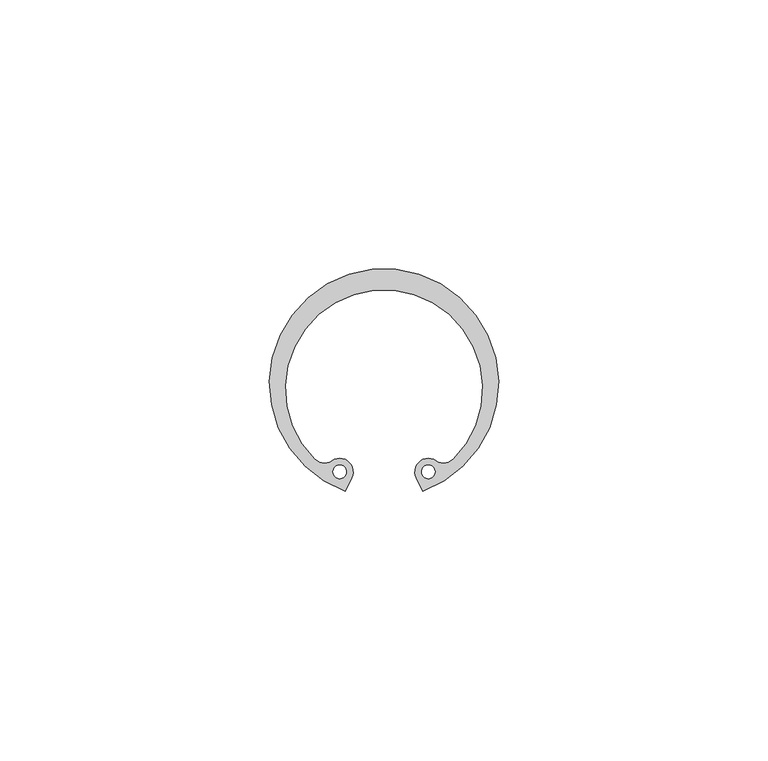
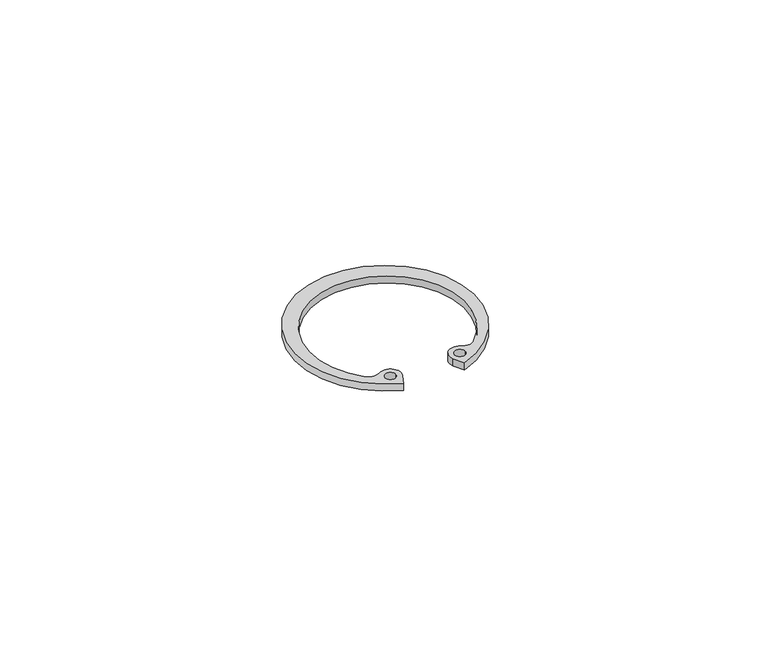
"""IFC4 building model written with IfcOpenShell, lengths in millimetres: proxy geometry."""

from ifc_helpers import new_model, si_unit, point, frame_2d, origin, origin_with_axes, place, context, project, spatial, polyline, circle_curve, trimmed, segment, composite_curve, outline, extrude, source, transform, mapped, element, save


def generic_models_1d7c027c(model_context):
    return source(origin(), model_context, "Body", "SweptSolid", [
        extrude(outline(composite_curve([segment(trimmed(circle_curve(frame_2d((0.0, -19.975)), 18.325), [point((12.8139533, -33.0749322))], [point((-12.8139533, -33.0749322))], True, "CARTESIAN"), True, "CONTINUOUS"), segment(trimmed(circle_curve(frame_2d((-11.0658015, -31.2877655)), 2.5), [point((-12.8139533, -33.0749322))], [point((-9.6458436, -33.3453659))], True, "CARTESIAN"), True, "CONTINUOUS"), segment(trimmed(circle_curve(frame_2d((-8.2258856, -35.4029664)), 2.5), [point((-9.6458436, -33.3453659))], [point((-5.9911491, -36.5236592))], False, "CARTESIAN"), True, "CONTINUOUS"), segment(polyline([(-5.9911491, -36.5236592), (-7.225, -38.9840405)]), True, "CONTINUOUS"), segment(trimmed(circle_curve(frame_2d((0.0, -19.0)), 21.25), [point((-7.225, -38.9840405))], [point((7.225, -38.9840405))], False, "CARTESIAN"), True, "CONTINUOUS"), segment(polyline([(7.225, -38.9840405), (5.9911491, -36.5236592)]), True, "CONTINUOUS"), segment(trimmed(circle_curve(frame_2d((8.2258856, -35.4029664)), 2.5), [point((5.9911491, -36.5236592))], [point((9.6458436, -33.3453659))], False, "CARTESIAN"), True, "CONTINUOUS"), segment(trimmed(circle_curve(frame_2d((11.0658015, -31.2877655)), 2.5), [point((9.6458436, -33.3453659))], [point((12.8139533, -33.0749322))], True, "CARTESIAN"), True, "CONTINUOUS")], self_intersect=False), holes=[composite_curve([segment(trimmed(circle_curve(frame_2d((-8.2258856, -35.4029664)), 1.25), [point((-6.9758856, -35.4029664))], [point((-9.4758856, -35.4029664))], True, "CARTESIAN"), True, "CONTINUOUS"), segment(trimmed(circle_curve(frame_2d((-8.2258856, -35.4029664)), 1.25), [point((-9.4758856, -35.4029664))], [point((-6.9758856, -35.4029664))], True, "CARTESIAN"), True, "CONTINUOUS")], self_intersect=False), composite_curve([segment(trimmed(circle_curve(frame_2d((8.2258856, -35.4029664)), 1.25), [point((9.4758856, -35.4029664))], [point((6.9758856, -35.4029664))], True, "CARTESIAN"), True, "CONTINUOUS"), segment(trimmed(circle_curve(frame_2d((8.2258856, -35.4029664)), 1.25), [point((6.9758856, -35.4029664))], [point((9.4758856, -35.4029664))], True, "CARTESIAN"), True, "CONTINUOUS")], self_intersect=False)]), origin_with_axes(), (0.0, 0.0, 1.0), 1.75),
    ])


if __name__ == "__main__":
    model = new_model("IFC4")
    model_context = context("Model", 3, world=origin())
    ifc_project = project(units=[si_unit("LENGTHUNIT", "METRE", prefix="MILLI")], contexts=[model_context])
    site = spatial("IfcSite", under=ifc_project)
    building = spatial("IfcBuilding", under=site)
    placement = place(None, origin())
    generic_models_shape = generic_models_1d7c027c(model_context)
    element("IfcBuildingElementProxy", 1, Name="Generic Models", at=placement, inside=building, context=model_context, shape_type="MappedRepresentation", body=[
        mapped(generic_models_shape, transform((0.0, 0.0, 0.0), x_axis=(1.0, 0.0, 0.0), y_axis=(0.0, 1.0, 0.0), z_axis=(0.0, 0.0, 1.0))),
    ])
    save(model, "model.ifc")
